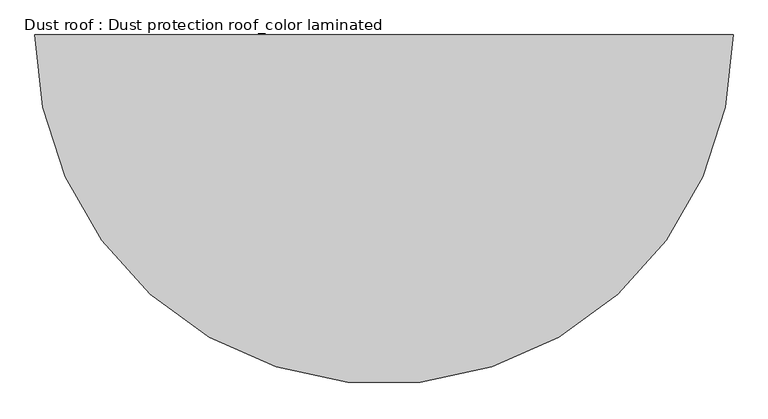
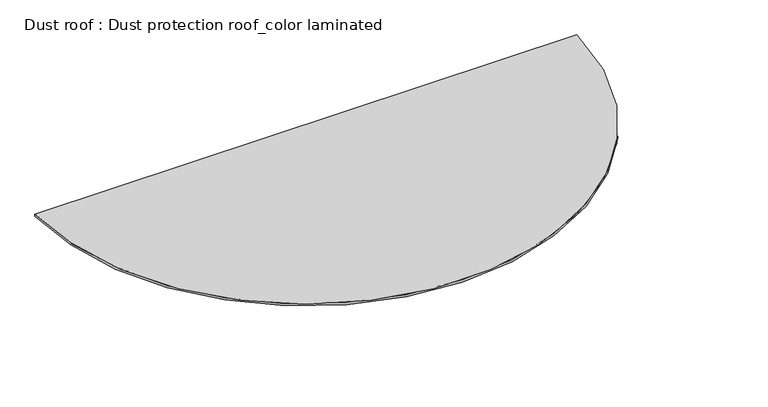
"""IFC4 building model written with IfcOpenShell, lengths in millimetres: proxy geometry, Dust roof : Dust protection roof_color laminated."""

from ifc_helpers import new_model, si_unit, point, origin, origin_with_axes, origin_2d, place, context, project, spatial, polyline, circle_curve, trimmed, segment, composite_curve, outline, extrude, source, transform, mapped, element, save


def dust_roof_dust_protection_roof_color_laminated_7ff22370(model_context):
    return source(origin(), model_context, "Body", "SweptSolid", [
        extrude(outline(composite_curve([segment(trimmed(circle_curve(origin_2d(), 1236.0), [point((1236.0, 0.0))], [point((-1236.0, 0.0))], False, "CARTESIAN"), True, "CONTINUOUS"), segment(polyline([(-1236.0, 0.0), (1236.0, 0.0)]), True, "CONTINUOUS")], self_intersect=False)), origin_with_axes(), (0.0, 0.0, 1.0), 10.0),
    ])


if __name__ == "__main__":
    model = new_model("IFC4")
    model_context = context("Model", 3, world=origin())
    ifc_project = project(units=[si_unit("LENGTHUNIT", "METRE", prefix="MILLI")], contexts=[model_context])
    site = spatial("IfcSite", under=ifc_project)
    building = spatial("IfcBuilding", under=site)
    placement = place(None, origin())
    dust_roof_dust_protection_roof_color_laminated_shape = dust_roof_dust_protection_roof_color_laminated_7ff22370(model_context)
    element("IfcBuildingElementProxy", 1, Name="Dust roof : Dust protection roof_color laminated", ObjectType="Dust roof : Dust protection roof_color laminated", at=placement, inside=building, context=model_context, shape_type="MappedRepresentation", body=[
        mapped(dust_roof_dust_protection_roof_color_laminated_shape, transform((0.0, 0.0, 0.0), x_axis=(1.0, 0.0, 0.0), y_axis=(0.0, 1.0, 0.0), z_axis=(0.0, 0.0, 1.0))),
    ])
    save(model, "model.ifc")
